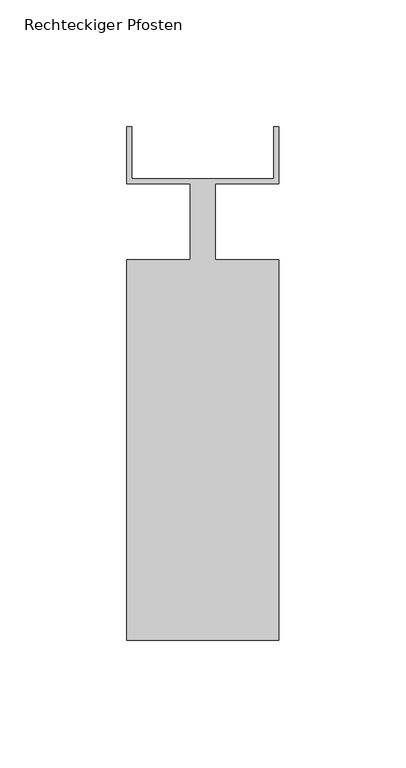
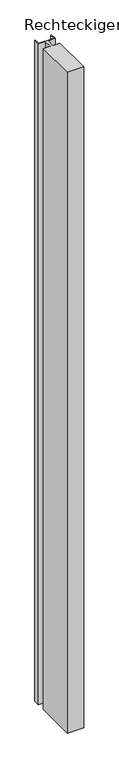
"""IFC4 building model written with IfcOpenShell, lengths in millimetres: member geometry, Rechteckiger Pfosten."""

from ifc_helpers import new_model, si_unit, frame, origin, place, context, project, spatial, polyline, outline, extrude, source, transform, mapped, element, save


def rechteckiger_pfosten_498cc0d9(model_context):
    return source(origin(), model_context, "Body", "SweptSolid", [
        extrude(outline(polyline([(28.0, 37.5), (30.0, 37.5), (30.0, 15.0), (5.0, 15.0), (5.0, -15.0), (30.0, -15.0), (30.0, -165.0), (-30.0, -165.0), (-30.0, -15.0), (-5.0, -15.0), (-5.0, 15.0), (-30.0, 15.0), (-30.0, 37.5), (-28.0, 37.5), (-28.0, 17.0), (28.0, 17.0), (28.0, 37.5)])), frame((0.0, 0.0, -2529.0449811), z_axis=(0.0, 0.0, 1.0), x_axis=(1.0, 0.0, 0.0)), (0.0, 0.0, 1.0), 2529.0449811),
    ])


if __name__ == "__main__":
    model = new_model("IFC4")
    model_context = context("Model", 3, world=origin())
    ifc_project = project(units=[si_unit("LENGTHUNIT", "METRE", prefix="MILLI")], contexts=[model_context])
    site = spatial("IfcSite", under=ifc_project)
    building = spatial("IfcBuilding", under=site)
    placement = place(None, origin())
    rechteckiger_pfosten_shape = rechteckiger_pfosten_498cc0d9(model_context)
    element("IfcMember", 1, ObjectType="Rechteckiger Pfosten", at=placement, inside=building, context=model_context, shape_type="MappedRepresentation", body=[
        mapped(rechteckiger_pfosten_shape, transform((0.0, 0.0, 0.0), x_axis=(1.0, 0.0, 0.0), y_axis=(0.0, 1.0, 0.0), z_axis=(0.0, 0.0, 1.0))),
    ])
    save(model, "model.ifc")
